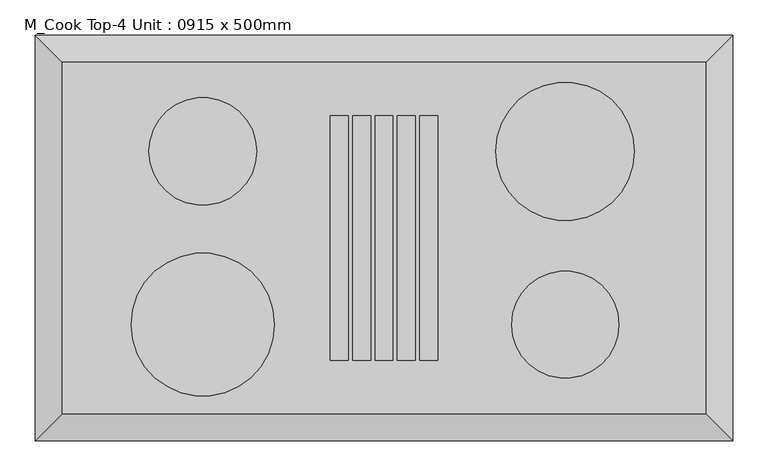
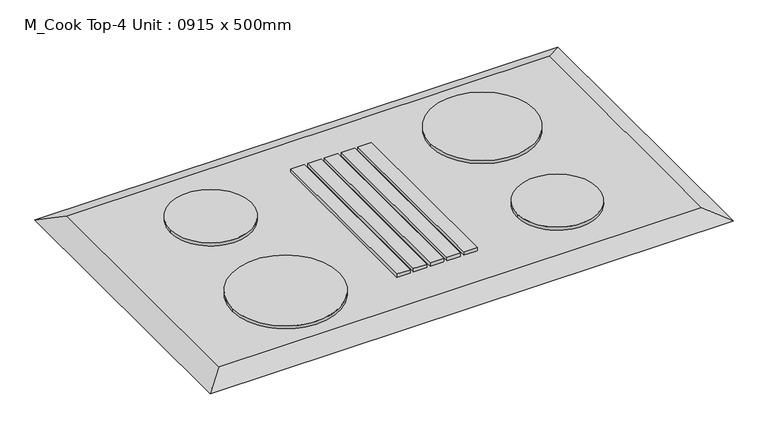
"""IFC4 building model written with IfcOpenShell, lengths in millimetres: proxy geometry, M_Cook Top-4 Unit : 0915 x 500mm."""

from ifc_helpers import new_model, si_unit, point, frame, frame_2d, origin, place, context, project, spatial, polyline, circle_curve, trimmed, segment, composite_curve, outline, extrude, faceted_brep, source, transform, mapped, element, save


def m_cook_top_4_unit_0915_x_500mm_0d6b06ed(model_context):
    return source(origin(), model_context, "Body", "SolidModel", [
        extrude(outline(composite_curve([segment(trimmed(circle_curve(frame_2d((-257.5, 123.0)), 76.5869489), [point((-180.9130511, 123.0))], [point((-334.0869489, 123.0))], False, "CARTESIAN"), True, "CONTINUOUS"), segment(trimmed(circle_curve(frame_2d((-257.5, 123.0)), 76.5869489), [point((-334.0869489, 123.0))], [point((-180.9130511, 123.0))], False, "CARTESIAN"), True, "CONTINUOUS")], self_intersect=False)), frame((0.0, 0.0, 918.0), z_axis=(0.0, 0.0, 1.0), x_axis=(1.0, 0.0, 0.0)), (0.0, 0.0, 1.0), 6.35),
        extrude(outline(composite_curve([segment(trimmed(circle_curve(frame_2d((257.5, 123.0)), 98.4), [point((355.9, 123.0))], [point((159.1, 123.0))], False, "CARTESIAN"), True, "CONTINUOUS"), segment(trimmed(circle_curve(frame_2d((257.5, 123.0)), 98.4), [point((159.1, 123.0))], [point((355.9, 123.0))], False, "CARTESIAN"), True, "CONTINUOUS")], self_intersect=False)), frame((0.0, 0.0, 918.0), z_axis=(0.0, 0.0, 1.0), x_axis=(1.0, 0.0, 0.0)), (0.0, 0.0, 1.0), 6.35),
        extrude(outline(composite_curve([segment(trimmed(circle_curve(frame_2d((257.5, -123.0)), 76.2), [point((333.7, -123.0))], [point((181.3, -123.0))], False, "CARTESIAN"), True, "CONTINUOUS"), segment(trimmed(circle_curve(frame_2d((257.5, -123.0)), 76.2), [point((181.3, -123.0))], [point((333.7, -123.0))], False, "CARTESIAN"), True, "CONTINUOUS")], self_intersect=False)), frame((0.0, 0.0, 918.0), z_axis=(0.0, 0.0, 1.0), x_axis=(1.0, 0.0, 0.0)), (0.0, 0.0, 1.0), 6.35),
        extrude(outline(polyline([(-50.8, 173.8), (-50.8, -173.8), (-76.2, -173.8), (-76.2, 173.8), (-50.8, 173.8)])), frame((0.0, 0.0, 918.0), z_axis=(0.0, 0.0, 1.0), x_axis=(1.0, 0.0, 0.0)), (0.0, 0.0, 1.0), 6.35),
        extrude(outline(polyline([(-19.05, 173.8), (-19.05, -173.8), (-44.45, -173.8), (-44.45, 173.8), (-19.05, 173.8)])), frame((0.0, 0.0, 918.0), z_axis=(0.0, 0.0, 1.0), x_axis=(1.0, 0.0, 0.0)), (0.0, 0.0, 1.0), 6.35),
        extrude(outline(polyline([(12.7, 173.8), (12.7, -173.8), (-12.7, -173.8), (-12.7, 173.8), (12.7, 173.8)])), frame((0.0, 0.0, 918.0), z_axis=(0.0, 0.0, 1.0), x_axis=(1.0, 0.0, 0.0)), (0.0, 0.0, 1.0), 6.35),
        extrude(outline(polyline([(44.45, 173.8), (44.45, -173.8), (19.05, -173.8), (19.05, 173.8), (44.45, 173.8)])), frame((0.0, 0.0, 918.0), z_axis=(0.0, 0.0, 1.0), x_axis=(1.0, 0.0, 0.0)), (0.0, 0.0, 1.0), 6.35),
        extrude(outline(polyline([(76.2, 173.8), (76.2, -173.8), (50.8, -173.8), (50.8, 173.8), (76.2, 173.8)])), frame((0.0, 0.0, 918.0), z_axis=(0.0, 0.0, 1.0), x_axis=(1.0, 0.0, 0.0)), (0.0, 0.0, 1.0), 6.35),
        faceted_brep([(457.5, 250.0, 918.0), (-457.5, 250.0, 918.0), (-457.5, -250.0, 918.0), (457.5, -250.0, 918.0), (495.6, 288.1, 900.0), (495.6, -288.1, 900.0), (-495.6, -288.1, 900.0), (-495.6, 288.1, 900.0)], [[[0, 1, 2, 3]], [[4, 5, 6, 7]], [[4, 7, 1, 0]], [[7, 6, 2, 1]], [[6, 5, 3, 2]], [[5, 4, 0, 3]]]),
        extrude(outline(composite_curve([segment(trimmed(circle_curve(frame_2d((-257.5, -123.0)), 101.6), [point((-155.9, -123.0))], [point((-359.1, -123.0))], False, "CARTESIAN"), True, "CONTINUOUS"), segment(trimmed(circle_curve(frame_2d((-257.5, -123.0)), 101.6), [point((-359.1, -123.0))], [point((-155.9, -123.0))], False, "CARTESIAN"), True, "CONTINUOUS")], self_intersect=False)), frame((0.0, 0.0, 918.0), z_axis=(0.0, 0.0, 1.0), x_axis=(1.0, 0.0, 0.0)), (0.0, 0.0, 1.0), 6.35),
    ])


if __name__ == "__main__":
    model = new_model("IFC4")
    model_context = context("Model", 3, world=origin())
    ifc_project = project(units=[si_unit("LENGTHUNIT", "METRE", prefix="MILLI")], contexts=[model_context])
    site = spatial("IfcSite", under=ifc_project)
    building = spatial("IfcBuilding", under=site)
    placement = place(None, origin())
    m_cook_top_4_unit_0915_x_500mm_shape = m_cook_top_4_unit_0915_x_500mm_0d6b06ed(model_context)
    element("IfcBuildingElementProxy", 1, Name="M_Cook Top-4 Unit : 0915 x 500mm", ObjectType="M_Cook Top-4 Unit : 0915 x 500mm", at=placement, inside=building, context=model_context, shape_type="MappedRepresentation", body=[
        mapped(m_cook_top_4_unit_0915_x_500mm_shape, transform((0.0, 0.0, 0.0), x_axis=(1.0, 0.0, 0.0), y_axis=(0.0, 1.0, 0.0), z_axis=(0.0, 0.0, 1.0))),
    ])
    save(model, "model.ifc")
